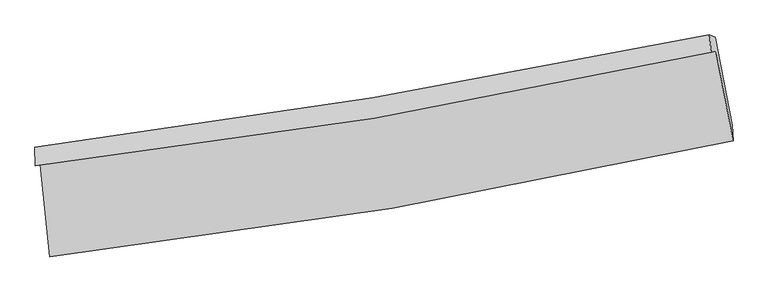
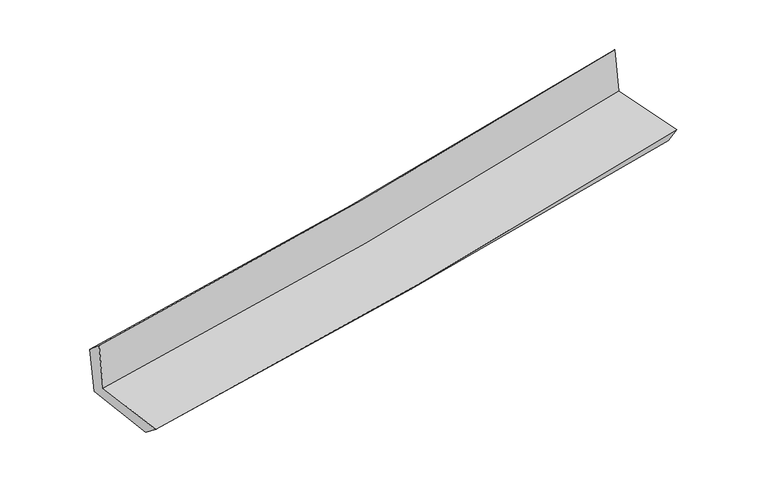
"""IFC4 building model written with IfcOpenShell, lengths in millimetres: proxy geometry."""

import ifcopenshell
import ifcopenshell.guid

model = None  # the IFC model being written
_history = None  # IfcOwnerHistory: only IFC2X3 demands one
_inside = {}  # id of a spatial element -> (the spatial element, [elements in it])
_under = {}  # id of a project, library or spatial element -> (it, [spatial elements below it])
_declared = {}  # id of a project -> (the project, [libraries it declares])
_typed = {}  # id of a type object -> (the type object, [elements of that type])
_made_of = {}  # id of a material, layer set ... -> (it, [elements and type objects made of it])


def new_model(schema):
    """Start an empty IFC model of exactly this schema.

    Asked for "IFC4X3", IfcOpenShell would pick the latest addendum, in which some entities
    have other attributes; the version numbers below select the first issue.
    IFC2X3 requires an IfcOwnerHistory on every rooted entity: one is made here for all.
    """
    global model, _history
    if schema == "IFC4X3":
        model = ifcopenshell.file(schema_version=(4, 3, 0, 0))
    else:
        model = ifcopenshell.file(schema=schema)
    _inside.clear()
    _under.clear()
    _declared.clear()
    _typed.clear()
    _made_of.clear()
    _history = None
    if model.schema == "IFC2X3":
        org = make("IfcOrganization", Name="unknown")
        user = make(
            "IfcPersonAndOrganization",
            ThePerson=make("IfcPerson", FamilyName="unknown"),
            TheOrganization=org,
        )
        app = make(
            "IfcApplication",
            ApplicationDeveloper=org,
            Version="unknown",
            ApplicationFullName="unknown",
            ApplicationIdentifier="unknown",
        )
        _history = make(
            "IfcOwnerHistory",
            OwningUser=user,
            OwningApplication=app,
            ChangeAction="ADDED",
            CreationDate=0,
        )
    return model


def make(cls, **values):
    """One entity of the class cls with the attributes given. An attribute that is None is left unset."""
    return model.create_entity(
        cls, **{name: value for name, value in values.items() if value is not None}
    )


def rooted(cls, **values):
    """An entity with a GlobalId (a new one), such as an element, a storey or a relation."""
    return make(cls, GlobalId=ifcopenshell.guid.new(), OwnerHistory=_history, **values)


def si_unit(unit_type, name, prefix=None):
    """IfcSIUnit, for example si_unit("LENGTHUNIT", "METRE", prefix="MILLI")."""
    return make("IfcSIUnit", UnitType=unit_type, Prefix=prefix, Name=name)


def assignment(units):
    """IfcUnitAssignment: the units of a project."""
    return None if units is None else make("IfcUnitAssignment", Units=units)


def point(xyz):
    """IfcCartesianPoint."""
    return None if xyz is None else make("IfcCartesianPoint", Coordinates=xyz)


def direction(xyz):
    """IfcDirection."""
    return None if xyz is None else make("IfcDirection", DirectionRatios=xyz)


def frame(location, z_axis=None, x_axis=None):
    """IfcAxis2Placement3D, a coordinate frame: its origin and axes. An axis left out is left unset."""
    return make(
        "IfcAxis2Placement3D",
        Location=point(location),
        Axis=direction(z_axis),
        RefDirection=direction(x_axis),
    )


def origin():
    """The frame at (0, 0, 0) with its axes left unset."""
    return frame((0.0, 0.0, 0.0))


def place(relative_to, where):
    """IfcLocalPlacement: puts the frame where relative to a parent placement (None: the world)."""
    return make(
        "IfcLocalPlacement", PlacementRelTo=relative_to, RelativePlacement=where
    )


def context(
    kind, dimensions, precision=None, world=None, true_north=None, identifier=None
):
    """IfcGeometricRepresentationContext, for example the 3D "Model" context."""
    return make(
        "IfcGeometricRepresentationContext",
        ContextIdentifier=identifier,
        ContextType=kind,
        CoordinateSpaceDimension=dimensions,
        Precision=precision,
        WorldCoordinateSystem=world,
        TrueNorth=true_north,
    )


def project(units=None, contexts=None):
    """IfcProject with its units and contexts."""
    return rooted(
        "IfcProject",
        Name="project",
        RepresentationContexts=contexts,
        UnitsInContext=assignment(units),
    )


def spatial(cls, under=None, at=None, **own):
    """A site, building, storey or space (cls), placed at a placement, below another one or the project."""
    s = rooted(cls, ObjectPlacement=at, **own)
    if under is not None:
        _under.setdefault(under.id(), (under, []))[1].append(s)
    return s


def shape(context_of_items, identifier, shape_type, items):
    """IfcShapeRepresentation: the items that make up one representation, for example the "Body"."""
    return make(
        "IfcShapeRepresentation",
        ContextOfItems=context_of_items,
        RepresentationIdentifier=identifier,
        RepresentationType=shape_type,
        Items=items,
    )


def source(mapping_origin, context_of_items, identifier, shape_type, items):
    """IfcRepresentationMap: a shape defined once, which mapped items show again and again."""
    return make(
        "IfcRepresentationMap",
        MappingOrigin=mapping_origin,
        MappedRepresentation=shape(context_of_items, identifier, shape_type, items),
    )


def transform(
    local_origin,
    x_axis=None,
    y_axis=None,
    z_axis=None,
    scale=None,
    scale2=None,
    scale3=None,
    uniform=True,
):
    """IfcCartesianTransformationOperator3D, or its non-uniform kind. x_axis, y_axis, z_axis: its Axis1, 2, 3."""
    if uniform:
        return make(
            "IfcCartesianTransformationOperator3D",
            Axis1=direction(x_axis),
            Axis2=direction(y_axis),
            LocalOrigin=point(local_origin),
            Scale=scale,
            Axis3=direction(z_axis),
        )
    return make(
        "IfcCartesianTransformationOperator3DnonUniform",
        Axis1=direction(x_axis),
        Axis2=direction(y_axis),
        LocalOrigin=point(local_origin),
        Scale=scale,
        Axis3=direction(z_axis),
        Scale2=scale2,
        Scale3=scale3,
    )


def mapped(mapping_source, mapping_target):
    """IfcMappedItem: shows the shape of a source again, moved by a transform."""
    return make(
        "IfcMappedItem", MappingSource=mapping_source, MappingTarget=mapping_target
    )


def made_of(thing, what):
    """Note that an element or type object is made of a material, layer set ...; save() writes the relation."""
    if what is not None:
        _made_of.setdefault(what.id(), (what, []))[1].append(thing)
    return thing


def element(
    cls,
    number,
    at=None,
    inside=None,
    cuts=None,
    type_object=None,
    material=None,
    context=None,
    identifier="Body",
    shape_type=None,
    held_by="IfcProductDefinitionShape",
    body=None,
    shapes=None,
    **own,
):
    """One element of the class cls, such as IfcWall. Its Tag is "e" and its number.

    at: its placement. inside: the storey or other place that contains it. cuts: it is an
    opening in that element (IfcRelVoidsElement). A single representation is given by context,
    identifier, shape_type and body (its items); several are given by shapes. held_by: the class
    of the entity that holds the representations. save() writes the other relations.
    """
    e = rooted(cls, Tag="e%d" % number, ObjectPlacement=at, **own)
    if body is not None:
        shapes = [shape(context, identifier, shape_type, body)]
    if shapes is not None:
        e.Representation = make(held_by, Representations=shapes)
    if inside is not None:
        _inside.setdefault(inside.id(), (inside, []))[1].append(e)
    if cuts is not None:
        rooted(
            "IfcRelVoidsElement", RelatingBuildingElement=cuts, RelatedOpeningElement=e
        )
    if type_object is not None:
        _typed.setdefault(type_object.id(), (type_object, []))[1].append(e)
    return made_of(e, material)


def aggregate(whole, parts):
    """IfcRelAggregates: a whole, such as a stair, and the parts it consists of."""
    return rooted("IfcRelAggregates", RelatingObject=whole, RelatedObjects=parts)


def save(model, path):
    """Write the relations noted so far, then the file.

    IfcRelAggregates (storeys below a building ...), IfcRelContainedInSpatialStructure (elements
    in a storey), IfcRelDefinesByType, IfcRelAssociatesMaterial and IfcRelDeclares: one each for
    every whole, place, type object, material and project.
    """
    for whole, parts in _under.values():
        aggregate(whole, parts)
    for where, things in _inside.values():
        rooted(
            "IfcRelContainedInSpatialStructure",
            RelatedElements=things,
            RelatingStructure=where,
        )
    for kind, things in _typed.values():
        rooted("IfcRelDefinesByType", RelatedObjects=things, RelatingType=kind)
    for what, things in _made_of.values():
        rooted("IfcRelAssociatesMaterial", RelatedObjects=things, RelatingMaterial=what)
    for by, libraries in _declared.values():
        rooted("IfcRelDeclares", RelatingContext=by, RelatedDefinitions=libraries)
    model.write(path)


def plane_surface(at):
    """IfcPlane: the flat surface through the origin of the frame at, square to its z axis."""
    return make("IfcPlane", Position=at)


def spline_curve(degree, points, multiplicities, knots, weights=None):
    """IfcBSplineCurveWithKnots; with weights, IfcRationalBSplineCurveWithKnots."""
    own = dict(
        Degree=degree,
        ControlPointsList=[point(p) for p in points],
        CurveForm="UNSPECIFIED",
        ClosedCurve=False,
        SelfIntersect=False,
        KnotMultiplicities=multiplicities,
        Knots=knots,
        KnotSpec="UNSPECIFIED",
    )
    if weights is None:
        return make("IfcBSplineCurveWithKnots", **own)
    return make("IfcRationalBSplineCurveWithKnots", WeightsData=weights, **own)


def spline_surface(u_degree, v_degree, points, u_multiplicities, v_multiplicities, u_knots, v_knots, weights=None):
    """IfcBSplineSurfaceWithKnots; with weights, IfcRationalBSplineSurfaceWithKnots. points: one row for each step in u."""
    own = dict(
        UDegree=u_degree,
        VDegree=v_degree,
        ControlPointsList=[[point(p) for p in row] for row in points],
        SurfaceForm="UNSPECIFIED",
        UClosed=False,
        VClosed=False,
        SelfIntersect=False,
        UMultiplicities=u_multiplicities,
        VMultiplicities=v_multiplicities,
        UKnots=u_knots,
        VKnots=v_knots,
        KnotSpec="UNSPECIFIED",
    )
    if weights is None:
        return make("IfcBSplineSurfaceWithKnots", **own)
    return make("IfcRationalBSplineSurfaceWithKnots", WeightsData=weights, **own)


def advanced_brep(points, edges, surfaces, faces):
    """IfcAdvancedBrep: a solid bounded by faces that lie on surfaces and meet in shared edges.

    An edge is (start, end): straight between two places in points (the first is 0);
    or (start, end, curve); or (start, end, curve, False) where it runs against its curve.
    A face is (place in surfaces, loops), or (place, loops, False) where it looks against
    its surface's normal. A loop lists edges by number (the first is 1), with a minus sign
    where the edge is run from its end to its start. The first loop is the outer one.
    """
    corners = [point(p) for p in points]
    vertices = [make("IfcVertexPoint", VertexGeometry=c) for c in corners]
    made = []
    for start, end, *more in edges:
        made.append(
            make(
                "IfcEdgeCurve",
                EdgeStart=vertices[start],
                EdgeEnd=vertices[end],
                EdgeGeometry=more[0] if more else make("IfcPolyline", Points=[corners[start], corners[end]]),
                SameSense=more[1] if len(more) > 1 else True,
            )
        )
    hull = []
    for where, loops, *sense in faces:
        bounds = []
        for j, loop in enumerate(loops):
            ring = [make("IfcOrientedEdge", EdgeElement=made[abs(k) - 1], Orientation=k > 0) for k in loop]
            bounds.append(
                make(
                    "IfcFaceOuterBound" if j == 0 else "IfcFaceBound",
                    Bound=make("IfcEdgeLoop", EdgeList=ring),
                    Orientation=True,
                )
            )
        hull.append(make("IfcAdvancedFace", Bounds=bounds, FaceSurface=surfaces[where], SameSense=sense[0] if sense else True))
    return make("IfcAdvancedBrep", Outer=make("IfcClosedShell", CfsFaces=hull))


def generic_models_3697fb8a(model_context):
    return source(origin(), model_context, "Body", "AdvancedBrep", [
        advanced_brep(
        [(-2486.3640678, -1884.4182859, 1650.7520393), (-2418.826938, -2551.436754, 1657.4693642), (2558.0296803, -1707.8387544, 2138.0704859), (2433.5335013, -1057.0938893, 2135.9841687), (-2523.420203, -1891.631919, 2059.5537715), (2397.7161401, -1064.0970886, 2532.7759549), (-2526.180949, -1755.2332682, 1938.6553841), (2386.0289817, -937.2893761, 2398.1147868), (-2489.4444607, -1760.6853536, 1547.3105671), (2428.8716201, -955.0312571, 1976.9364472), (-2422.8176921, -2410.3179565, 1544.6585625), (2552.308002, -1595.4498648, 1969.2111124)],
        [
            (0, 1),
            (1, 2, spline_curve(3, [(-2418.826938, -2551.436754, 1657.4693642), (-1583.428889679, -2457.909126795, 1744.981265717), (-751.620821809, -2340.988875027, 1828.731800522), (907.353420917, -2059.93313475, 1988.955263322), (1734.497559379, -1895.65405333, 2065.405102317), (2558.0296803, -1707.8387544, 2138.0704859)], [4, 2, 4], [0.0, 8.2613917067247, 16.548100390286837])),
            (2, 3),
            (3, 0, spline_curve(3, [(2433.5335013, -1057.0938893, 2135.9841687), (1619.271718622, -1239.200893925, 2059.219213877), (801.516780477, -1399.269908378, 1980.335626201), (-838.470387538, -1674.910255222, 1818.578657557), (-1660.681305698, -1790.616039295, 1735.71820205), (-2486.3640678, -1884.4182859, 1650.7520393)], [4, 2, 4], [0.0, 8.286708683562138, 16.548100390286837])),
            (4, 0),
            (3, 5),
            (5, 4, spline_curve(3, [(2397.7161401, -1064.0970886, 2532.7759549), (1582.871905405, -1246.305616572, 2462.16206561), (764.722639017, -1406.442905121, 2387.353198922), (-875.6763055, -1682.153193674, 2229.586878135), (-1697.905820512, -1797.860848567, 2146.655016858), (-2523.420203, -1891.631919, 2059.5537715)], [4, 2, 4], [0.0, 8.238811708519647, 16.452452771713443])),
            (6, 4),
            (5, 7),
            (7, 6, spline_curve(3, [(2386.0289817, -937.2893761, 2398.1147868), (1571.23961781, -1105.092816842, 2323.772959438), (753.86389067, -1257.236888753, 2248.253385803), (-883.555199039, -1529.789316261, 2095.093066322), (-1703.582781999, -1650.293208311, 2017.45950558), (-2526.180949, -1755.2332682, 1938.6553841)], [4, 2, 4], [0.0, 8.228403005397565, 16.431667165416147])),
            (8, 6),
            (7, 9),
            (9, 8, spline_curve(3, [(2428.8716201, -955.0312571, 1976.9364472), (1614.294389574, -1130.502815517, 1907.573384351), (796.51416303, -1285.447794966, 1837.033124242), (-842.944071907, -1553.873929274, 1693.817315553), (-1664.602538732, -1667.480315469, 1621.14894888), (-2489.4444607, -1760.6853536, 1547.3105671)], [4, 2, 4], [0.0, 8.219693889239648, 16.414275540587127])),
            (10, 8),
            (9, 11),
            (11, 10, spline_curve(3, [(2552.308002, -1595.4498648, 1969.2111124), (1727.078982346, -1766.618939631, 1904.123848588), (899.232377963, -1920.18615215, 1836.142289417), (-759.158823051, -2191.701461953, 1694.607114972), (-1589.687450165, -2309.756946306, 1621.071157596), (-2422.8176921, -2410.3179565, 1544.6585625)], [4, 2, 4], [0.0, 8.267854529146774, 16.510449683359212])),
            (1, 10),
            (11, 2),
        ],
        [
            spline_surface(3, 3, [[(-2486.3640678, -1884.4182859, 1650.7520393), (-1660.681305579, -1790.616039399, 1735.718202041), (-838.470387451, -1674.91025514, 1818.578657494), (801.51678039, -1399.269908459, 1980.335626264), (1619.271718658, -1239.200893827, 2059.219213922), (2433.5335013, -1057.0938893, 2135.9841687)], [(-2463.851691216, -2106.757775271, 1652.991147614), (-1634.930500264, -2013.047068559, 1738.805889971), (-809.520532224, -1896.936461799, 1821.963038559), (836.795660588, -1619.49098386, 1983.208838594), (1657.680332196, -1458.018613611, 2061.281176695), (2475.032227635, -1274.008844319, 2136.679607747)], [(-2441.339314584, -2329.097264629, 1655.230255886), (-1609.1796949, -2235.478097707, 1741.89357786), (-780.570677051, -2118.962668458, 1825.347419575), (872.074540734, -1839.71205926, 1986.082050875), (1696.08894573, -1676.836333439, 2063.343139527), (2516.530953965, -1490.923799381, 2137.375046853)], [(-2418.826938, -2551.436754, 1657.4693642), (-1583.428889585, -2457.909126866, 1744.981265791), (-751.620821824, -2340.988875116, 1828.731800639), (907.353420933, -2059.93313466, 1988.955263204), (1734.497559268, -1895.654053223, 2065.4051023), (2558.0296803, -1707.8387544, 2138.0704859)]], [4, 4], [4, 2, 4], [0.0, 2.1994492923570172], [0.0, 8.2613917067247, 16.548100390286837]),
            spline_surface(3, 3, [[(-2523.420203, -1891.631919, 2059.5537715), (-1697.905820548, -1797.860848487, 2146.655016868), (-875.676305626, -1682.153193626, 2229.586878004), (764.722639143, -1406.44290517, 2387.353199053), (1582.871905295, -1246.305616597, 2462.162065723), (2397.7161401, -1064.0970886, 2532.7759549)], [(-2511.068157929, -1889.227374621, 1923.286527436), (-1685.497648888, -1795.445912113, 2009.676078595), (-863.274332916, -1679.738880818, 2092.584137828), (776.987352877, -1404.051906287, 2251.680674784), (1595.005176425, -1243.93737569, 2327.847781807), (2409.65526051, -1061.76268885, 2400.512026184)], [(-2498.716112871, -1886.822830279, 1787.019283364), (-1673.089477239, -1793.030975774, 1872.697140314), (-850.87236016, -1677.324567949, 1955.58139767), (789.252066656, -1401.660907343, 2116.008150533), (1607.138447527, -1241.569134734, 2193.533497839), (2421.59438089, -1059.42828905, 2268.248097416)], [(-2486.3640678, -1884.4182859, 1650.7520393), (-1660.681305579, -1790.616039399, 1735.718202041), (-838.470387451, -1674.91025514, 1818.578657494), (801.51678039, -1399.269908459, 1980.335626264), (1619.271718658, -1239.200893827, 2059.219213922), (2433.5335013, -1057.0938893, 2135.9841687)]], [4, 4], [4, 2, 4], [0.0, 1.347572596323046], [0.0, 8.213641063193796, 16.452452771713443]),
            spline_surface(3, 3, [[(-2526.180949, -1755.2332682, 1938.6553841), (-1703.582781986, -1650.293208279, 2017.459505655), (-883.555198905, -1529.789316202, 2095.093066286), (753.863890535, -1257.236888813, 2248.253385839), (1571.239617702, -1105.092816909, 2323.772959492), (2386.0289817, -937.2893761, 2398.1147868)], [(-2525.260700321, -1800.699485125, 1978.954846543), (-1701.690461495, -1699.482421673, 2060.524676036), (-880.928901137, -1580.577275344, 2139.924336866), (757.483473412, -1306.972227599, 2294.619990251), (1575.117046899, -1152.16375014, 2369.902661568), (2389.924701166, -979.558613602, 2443.001842832)], [(-2524.340451679, -1846.165702075, 2019.254309057), (-1699.79814104, -1748.671635093, 2103.589846487), (-878.302603393, -1631.365234484, 2184.755607424), (761.103056266, -1356.707566383, 2340.986594641), (1578.994476098, -1199.234683366, 2416.032363647), (2393.820420634, -1021.827851098, 2487.888898868)], [(-2523.420203, -1891.631919, 2059.5537715), (-1697.905820548, -1797.860848487, 2146.655016868), (-875.676305626, -1682.153193626, 2229.586878004), (764.722639143, -1406.44290517, 2387.353199053), (1582.871905295, -1246.305616597, 2462.162065723), (2397.7161401, -1064.0970886, 2532.7759549)]], [4, 4], [4, 2, 4], [0.0, 0.6686620544467805], [0.0, 8.203264160018582, 16.431667165416147]),
            spline_surface(3, 3, [[(-2489.4444607, -1760.6853536, 1547.3105671), (-1664.602538784, -1667.480315465, 1621.148948955), (-842.944071855, -1553.873929289, 1693.817315556), (796.514162978, -1285.447794951, 1837.033124239), (1614.294389678, -1130.502815638, 1907.573384362), (2428.8716201, -955.0312571, 1976.9364472)], [(-2501.689956799, -1758.867991816, 1677.758839436), (-1677.595953184, -1661.751279752, 1753.252467858), (-856.481114214, -1545.845724927, 1827.575899137), (782.297405488, -1276.044159571, 1974.106544777), (1599.942799026, -1122.032816057, 2046.306576061), (2414.59074064, -949.117296762, 2117.329227056)], [(-2513.935452901, -1757.050629984, 1808.207111764), (-1690.589367586, -1656.022243991, 1885.355986752), (-870.018156546, -1537.817520564, 1961.334482705), (768.080648025, -1266.640524192, 2111.179965301), (1585.591208354, -1113.56281649, 2185.039767792), (2400.30986116, -943.203336438, 2257.722006944)], [(-2526.180949, -1755.2332682, 1938.6553841), (-1703.582781986, -1650.293208279, 2017.459505655), (-883.555198905, -1529.789316202, 2095.093066286), (753.863890535, -1257.236888813, 2248.253385839), (1571.239617702, -1105.092816909, 2323.772959492), (2386.0289817, -937.2893761, 2398.1147868)]], [4, 4], [4, 2, 4], [0.0, 1.34261017151151], [0.0, 8.194581651347479, 16.414275540587127]),
            spline_surface(3, 3, [[(-2422.8176921, -2410.3179565, 1544.6585625), (-1589.687450191, -2309.756946346, 1621.071157541), (-759.15882308, -2191.701461824, 1694.607114945), (899.232377992, -1920.186152279, 1836.142289444), (1727.078982223, -1766.618939551, 1904.123848715), (2552.308002, -1595.4498648, 1969.2111124)], [(-2445.026614971, -2193.773755543, 1545.542564039), (-1614.659146393, -2095.664736062, 1621.097088018), (-787.087239334, -1979.0922843, 1694.343848472), (864.992972991, -1708.606699823, 1836.439234366), (1689.48411801, -1554.580231576, 1905.273693945), (2511.162541336, -1381.976995563, 1971.786224015)], [(-2467.235537829, -1977.229554557, 1546.426565561), (-1639.630842582, -1881.572525749, 1621.123018478), (-815.0156556, -1766.483106814, 1694.080582028), (830.753567979, -1497.027247407, 1836.736179317), (1651.88925389, -1342.541523613, 1906.423539131), (2470.017080764, -1168.504126337, 1974.361335585)], [(-2489.4444607, -1760.6853536, 1547.3105671), (-1664.602538784, -1667.480315465, 1621.148948955), (-842.944071855, -1553.873929289, 1693.817315556), (796.514162978, -1285.447794951, 1837.033124239), (1614.294389678, -1130.502815638, 1907.573384362), (2428.8716201, -955.0312571, 1976.9364472)]], [4, 4], [4, 2, 4], [0.0, 2.109840998142755], [0.0, 8.242595154212438, 16.510449683359212]),
            spline_surface(3, 3, [[(-2418.826938, -2551.436754, 1657.4693642), (-1583.428889585, -2457.909126866, 1744.981265791), (-751.620821824, -2340.988875116, 1828.731800639), (907.353420933, -2059.93313466, 1988.955263204), (1734.497559268, -1895.654053223, 2065.4051023), (2558.0296803, -1707.8387544, 2138.0704859)], [(-2420.157189363, -2504.397154823, 1619.865763632), (-1585.51507645, -2408.525066683, 1703.677896372), (-754.133488915, -2291.226404011, 1784.023572062), (904.646406614, -2013.350807192, 1938.017605272), (1732.024700266, -1852.642348671, 2011.644684438), (2556.122454213, -1670.375791205, 2081.784028066)], [(-2421.487440737, -2457.357555677, 1582.262163068), (-1587.601263326, -2359.14100653, 1662.374526959), (-756.64615599, -2241.463932929, 1739.315343522), (901.939392311, -1966.768479747, 1887.079947377), (1729.551841224, -1809.630644104, 1957.884266577), (2554.215228087, -1632.912827995, 2025.497570234)], [(-2422.8176921, -2410.3179565, 1544.6585625), (-1589.687450191, -2309.756946346, 1621.071157541), (-759.15882308, -2191.701461824, 1694.607114945), (899.232377992, -1920.186152279, 1836.142289444), (1727.078982223, -1766.618939551, 1904.123848715), (2552.308002, -1595.4498648, 1969.2111124)]], [4, 4], [4, 2, 4], [0.0, 0.6686301260625677], [0.0, 8.29884741966045, 16.623126598927453]),
            plane_surface(frame((2459.4146542, -1219.466705, 2191.848826), z_axis=(0.9780046008440657, 0.18739897464325134, 0.09158943733039249), x_axis=(-0.10110993524396396, 0.041871381133883105, 0.9939937466789731))),
            plane_surface(frame((-2477.8423851, -2042.2872562, 1733.0666148), z_axis=(-0.9906389961817225, -0.10122674755656422, -0.09158343094244208), x_axis=(-0.10073214430504566, 0.9948631342636651, -0.010018941400372903))),
        ],
        [
            (0, [[1, 2, 3, 4]]),
            (1, [[5, -4, 6, 7]]),
            (2, [[8, -7, 9, 10]]),
            (3, [[11, -10, 12, 13]]),
            (4, [[14, -13, 15, 16]]),
            (5, [[17, -16, 18, -2]]),
            (6, [[-12, -9, -6, -3, -18, -15]]),
            (7, [[-1, -5, -8, -11, -14, -17]]),
        ],
    ),
    ])


if __name__ == "__main__":
    model = new_model("IFC4")
    model_context = context("Model", 3, world=origin())
    ifc_project = project(units=[si_unit("LENGTHUNIT", "METRE", prefix="MILLI")], contexts=[model_context])
    site = spatial("IfcSite", under=ifc_project)
    building = spatial("IfcBuilding", under=site)
    placement = place(None, origin())
    generic_models_shape = generic_models_3697fb8a(model_context)
    element("IfcBuildingElementProxy", 1, Name="Generic Models", at=placement, inside=building, context=model_context, shape_type="MappedRepresentation", body=[
        mapped(generic_models_shape, transform((0.0, 0.0, 0.0), x_axis=(1.0, 0.0, 0.0), y_axis=(0.0, 1.0, 0.0), z_axis=(0.0, 0.0, 1.0))),
    ])
    save(model, "model.ifc")
